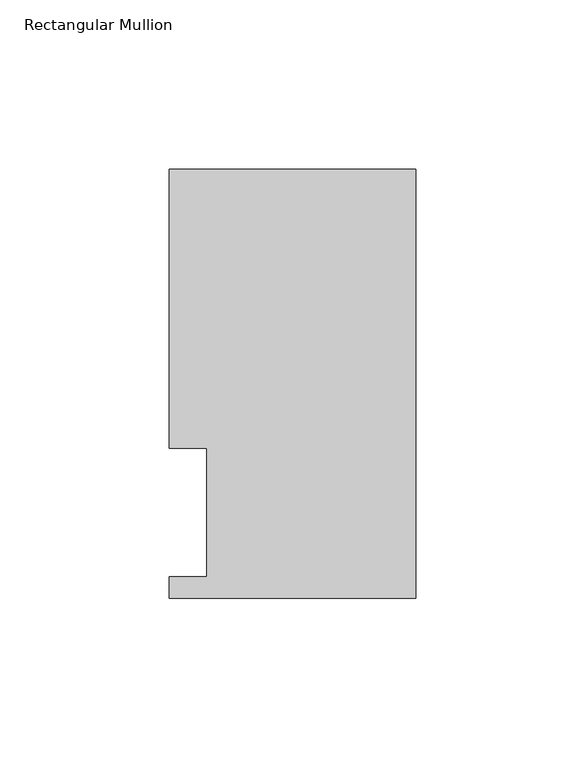
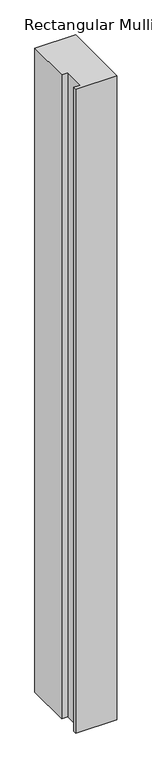
"""IFC4 building model written with IfcOpenShell, lengths in millimetres: member geometry, Rectangular Mullion."""

from ifc_helpers import new_model, si_unit, frame, origin, place, context, project, spatial, polyline, outline, extrude, source, transform, mapped, element, save


def rectangular_mullion_b07fb5c1(model_context):
    return source(origin(), model_context, "Body", "SweptSolid", [
        extrude(outline(polyline([(0.0, 127.0), (0.0, 0.0), (-73.025, 0.0), (-73.025, 6.35), (-61.9125, 6.35), (-61.9125, 44.45), (-73.025, 44.45), (-73.025, 127.0), (0.0, 127.0)])), frame((0.0, 0.0, -1219.2), z_axis=(0.0, 0.0, 1.0), x_axis=(1.0, 0.0, 0.0)), (0.0, 0.0, 1.0), 1219.2),
    ])


if __name__ == "__main__":
    model = new_model("IFC4")
    model_context = context("Model", 3, world=origin())
    ifc_project = project(units=[si_unit("LENGTHUNIT", "METRE", prefix="MILLI")], contexts=[model_context])
    site = spatial("IfcSite", under=ifc_project)
    building = spatial("IfcBuilding", under=site)
    placement = place(None, origin())
    rectangular_mullion_shape = rectangular_mullion_b07fb5c1(model_context)
    element("IfcMember", 1, ObjectType="Rectangular Mullion", at=placement, inside=building, context=model_context, shape_type="MappedRepresentation", body=[
        mapped(rectangular_mullion_shape, transform((0.0, 0.0, 0.0), x_axis=(1.0, 0.0, 0.0), y_axis=(0.0, 1.0, 0.0), z_axis=(0.0, 0.0, 1.0))),
    ])
    save(model, "model.ifc")
